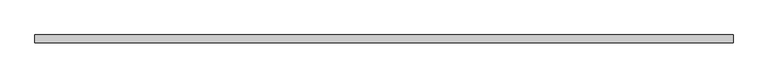
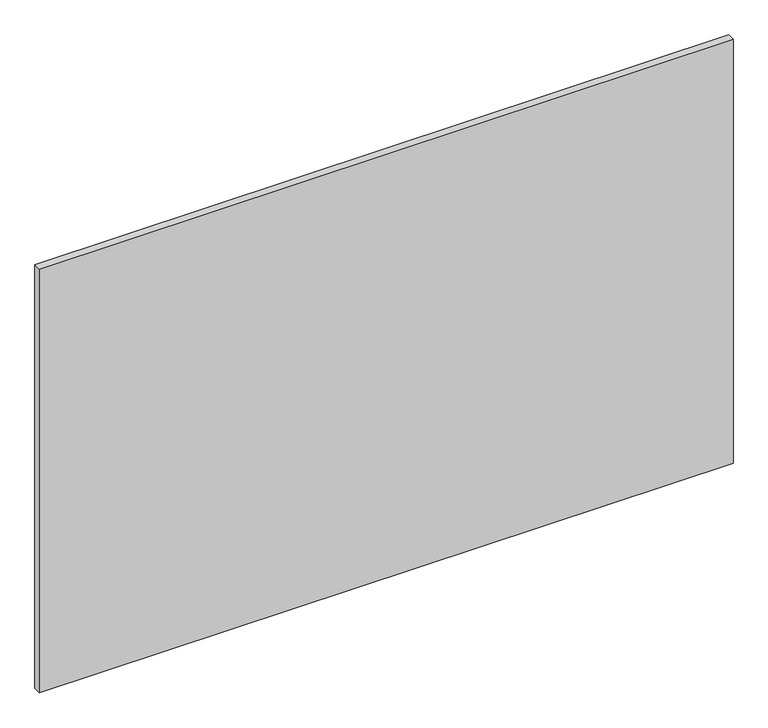
"""IFC4 building model written with IfcOpenShell, lengths in millimetres: furniture geometry."""

from ifc_helpers import new_model, si_unit, frame, origin, place, context, project, spatial, polyline, outline, extrude, source, transform, mapped, element, save


def furniture_7fe6a061(model_context):
    return source(origin(), model_context, "Body", "SweptSolid", [
        extrude(outline(polyline([(1981.2007424, 0.0), (152.4007424, 0.0), (152.4007424, 20.1673737), (1981.2007424, 20.1673737), (1981.2007424, 0.0)])), frame((0.0, 0.0, 734.06), z_axis=(0.0, 0.0, 1.0), x_axis=(1.0, 0.0, 0.0)), (0.0, 0.0, 1.0), 1181.1),
    ])


if __name__ == "__main__":
    model = new_model("IFC4")
    model_context = context("Model", 3, world=origin())
    ifc_project = project(units=[si_unit("LENGTHUNIT", "METRE", prefix="MILLI")], contexts=[model_context])
    site = spatial("IfcSite", under=ifc_project)
    building = spatial("IfcBuilding", under=site)
    placement = place(None, origin())
    furniture_shape = furniture_7fe6a061(model_context)
    element("IfcFurniture", 1, at=placement, inside=building, context=model_context, shape_type="MappedRepresentation", body=[
        mapped(furniture_shape, transform((0.0, 0.0, 0.0), x_axis=(1.0, 0.0, 0.0), y_axis=(0.0, 1.0, 0.0), z_axis=(0.0, 0.0, 1.0))),
    ])
    save(model, "model.ifc")
